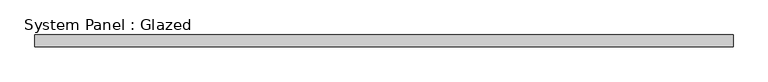
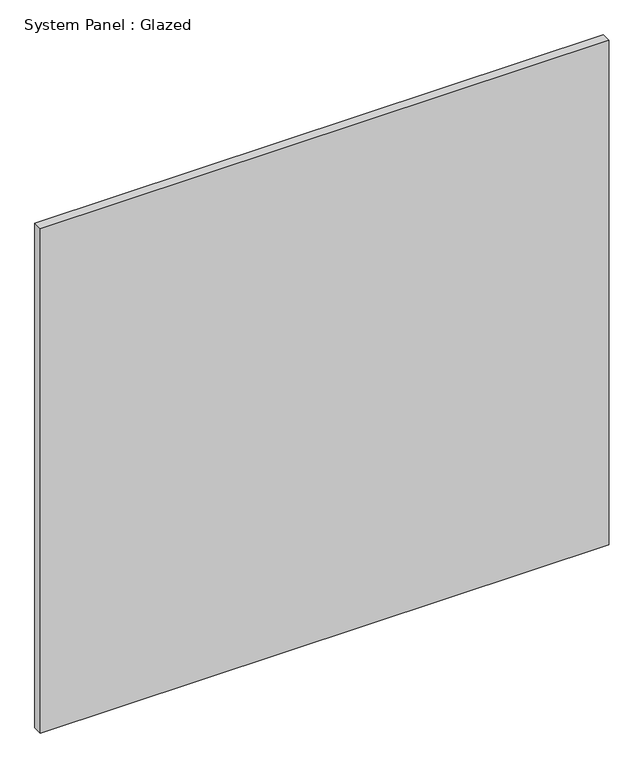
"""IFC4 building model written with IfcOpenShell, lengths in millimetres: plate geometry, System Panel : Glazed."""

from ifc_helpers import new_model, si_unit, origin, origin_with_axes, place, context, project, spatial, polyline, outline, extrude, source, transform, mapped, element, save


def system_panel_glazed_5dfd2c99(model_context):
    return source(origin(), model_context, "Body", "SweptSolid", [
        extrude(outline(polyline([(744.2501096, 24.5), (-744.2501096, 24.5), (-744.2501096, 49.5), (744.2501096, 49.5), (744.2501096, 24.5)])), origin_with_axes(), (0.0, 0.0, 1.0), 1395.0),
    ])


if __name__ == "__main__":
    model = new_model("IFC4")
    model_context = context("Model", 3, world=origin())
    ifc_project = project(units=[si_unit("LENGTHUNIT", "METRE", prefix="MILLI")], contexts=[model_context])
    site = spatial("IfcSite", under=ifc_project)
    building = spatial("IfcBuilding", under=site)
    placement = place(None, origin())
    system_panel_glazed_shape = system_panel_glazed_5dfd2c99(model_context)
    element("IfcPlate", 1, ObjectType="System Panel : Glazed", at=placement, inside=building, context=model_context, shape_type="MappedRepresentation", body=[
        mapped(system_panel_glazed_shape, transform((0.0, 0.0, 0.0), x_axis=(1.0, 0.0, 0.0), y_axis=(0.0, 1.0, 0.0), z_axis=(0.0, 0.0, 1.0))),
    ])
    save(model, "model.ifc")
